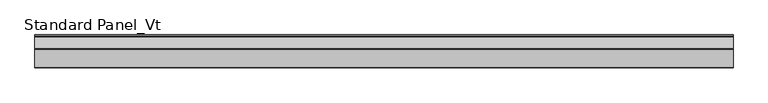
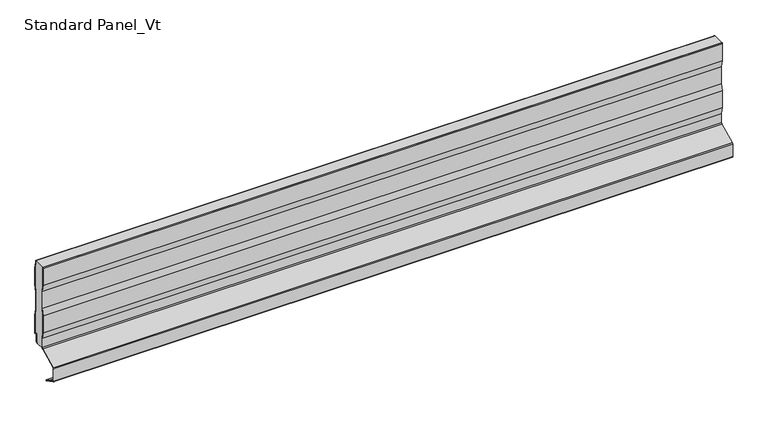
"""IFC4 building model written with IfcOpenShell, lengths in millimetres: proxy geometry, Standard Panel_Vt."""

from ifc_helpers import new_model, si_unit, point, frame, frame_2d, origin, place, context, project, spatial, polyline, circle_curve, trimmed, segment, composite_curve, outline, extrude, source, transform, mapped, element, save
from ifc_brep_helpers import plane_surface, cylinder_surface, revolved_surface, advanced_brep


def standard_panel_vt_59fe3f1f(model_context):
    return source(origin(), model_context, "Body", "SolidModel", [
        extrude(outline(composite_curve([segment(polyline([(-30.0, 216.59102), (-29.6446991, 218.7), (-28.8334256, 218.7), (-29.2, 216.5241033), (-29.2, 178.448892), (-26.7, 163.6094989), (-26.7, 125.3634964), (-29.2, 110.5241033), (-29.2, 72.448892), (-26.7, 57.6094989), (-26.7, 37.3959608)]), True, "CONTINUOUS"), segment(trimmed(circle_curve(frame_2d((-29.8, 37.3959608)), 3.1), [point((-26.7, 37.3959608))], [point((-28.4162325, 34.6219407))], False, "CARTESIAN"), True, "CONTINUOUS"), segment(polyline([(-28.4162325, 34.6219407), (-66.910808, 15.419649)]), True, "CONTINUOUS"), segment(trimmed(circle_curve(frame_2d((-66.241243, 14.0773812)), 1.5), [point((-66.910808, 15.419649))], [point((-67.741243, 14.0773812))], True, "CARTESIAN"), True, "CONTINUOUS"), segment(polyline([(-67.741243, 14.0773812), (-67.741243, -14.0773812)]), True, "CONTINUOUS"), segment(trimmed(circle_curve(frame_2d((-66.241243, -14.0773812)), 1.5), [point((-67.741243, -14.0773812))], [point((-66.9113932, -15.4193569))], True, "CARTESIAN"), True, "CONTINUOUS"), segment(polyline([(-66.9113932, -15.4193569), (-54.7640727, -21.4854346), (-54.4066593, -20.7697142), (-41.7026227, -27.1138024)]), True, "CONTINUOUS"), segment(trimmed(circle_curve(frame_2d((-42.0600361, -27.8295227)), 0.8), [point((-41.7026227, -27.1138024))], [point((-42.4174495, -28.5452431))], False, "CARTESIAN"), True, "CONTINUOUS"), segment(polyline([(-42.4174495, -28.5452431), (-67.2688066, -16.1350773)]), True, "CONTINUOUS"), segment(trimmed(circle_curve(frame_2d((-66.241243, -14.0773812)), 2.3), [point((-67.2688066, -16.1350773))], [point((-68.541243, -14.0773812))], False, "CARTESIAN"), True, "CONTINUOUS"), segment(polyline([(-68.541243, -14.0773812), (-68.541243, 14.0773812)]), True, "CONTINUOUS"), segment(trimmed(circle_curve(frame_2d((-66.241243, 14.0773812)), 2.3), [point((-68.541243, 14.0773812))], [point((-67.2679093, 16.1355252))], False, "CARTESIAN"), True, "CONTINUOUS"), segment(polyline([(-67.2679093, 16.1355252), (-28.7733338, 35.3378168)]), True, "CONTINUOUS"), segment(trimmed(circle_curve(frame_2d((-29.8, 37.3959608)), 2.3), [point((-28.7733338, 35.3378168))], [point((-27.5, 37.3959608))], True, "CARTESIAN"), True, "CONTINUOUS"), segment(polyline([(-27.5, 37.3959608), (-27.5, 57.5425822), (-30.0, 72.3819753), (-30.0, 110.59102), (-27.5, 125.4304131), (-27.5, 163.5425822), (-30.0, 178.3819753), (-30.0, 216.59102)]), True, "CONTINUOUS")], self_intersect=False)), frame((-723.9042608, 0.0, 0.0), z_axis=(1.0, 0.0, 0.0), x_axis=(0.0, 1.0, 0.0)), (0.0, 0.0, 1.0), 1447.8085217),
        extrude(outline(composite_curve([segment(polyline([(-3.3, 215.5071471), (-3.3, 218.7), (-2.5, 218.7), (-2.5, 215.5733571), (0.0, 200.5733571), (0.0, 162.5733571), (-2.5, 147.5733571), (-2.5, 109.5733571), (0.0, 94.5733571), (0.0, 53.7672219)]), True, "CONTINUOUS"), segment(trimmed(circle_curve(frame_2d((-1.0, 53.7672219)), 1.0), [point((0.0, 53.7672219))], [point((-1.5443119, 52.928339))], False, "CARTESIAN"), True, "CONTINUOUS"), segment(polyline([(-1.5443119, 52.928339), (-3.7558601, 54.3633094)]), True, "CONTINUOUS"), segment(trimmed(circle_curve(frame_2d((-4.3001721, 53.5244265)), 1.0), [point((-3.7558601, 54.3633094))], [point((-5.3001721, 53.5244265))], True, "CARTESIAN"), True, "CONTINUOUS"), segment(polyline([(-5.3001721, 53.5244265), (-5.3001721, 37.9383564)]), True, "CONTINUOUS"), segment(trimmed(circle_curve(frame_2d((-7.4001714, 37.9383564)), 2.0999993), [point((-5.3001721, 37.9383564))], [point((-7.4001714, 35.8383571))], False, "CARTESIAN"), True, "CONTINUOUS"), segment(polyline([(-7.4001714, 35.8383571), (-9.4001722, 35.8383571), (-9.4001722, 36.6383571), (-7.4001714, 36.6383571)]), True, "CONTINUOUS"), segment(trimmed(circle_curve(frame_2d((-7.4001714, 37.9383564)), 1.2999993), [point((-7.4001714, 36.6383571))], [point((-6.1001721, 37.9383564))], True, "CARTESIAN"), True, "CONTINUOUS"), segment(polyline([(-6.1001721, 37.9383564), (-6.1001721, 53.5244265)]), True, "CONTINUOUS"), segment(trimmed(circle_curve(frame_2d((-4.3001721, 53.5244265)), 1.8), [point((-6.1001721, 53.5244265))], [point((-3.3204106, 55.0344157))], False, "CARTESIAN"), True, "CONTINUOUS"), segment(polyline([(-3.3204106, 55.0344157), (-0.8, 53.3990389), (-0.8, 94.5071471), (-3.3, 109.5071471), (-3.3, 147.6395671), (-0.8, 162.6395671), (-0.8, 200.5071471), (-3.3, 215.5071471)]), True, "CONTINUOUS")], self_intersect=False)), frame((-723.9042608, 0.0, 0.0), z_axis=(1.0, 0.0, 0.0), x_axis=(0.0, 1.0, 0.0)), (0.0, 0.0, 1.0), 1447.8085217),
        advanced_brep(
        [(-723.9042608, -29.2, 216.5241033), (-723.9042608, -28.8334256, 218.7), (-723.9042608, -3.3, 218.7), (-723.9042608, -3.3, 215.5071471), (-723.9042608, -0.8, 200.5071471), (-723.9042608, -0.8, 162.6395671), (-723.9042608, -3.3, 147.6395671), (-723.9042608, -3.3, 109.5071471), (-723.9042608, -0.8, 94.5071471), (-723.9042608, -0.8, 53.3990389), (-723.9042608, -3.3204106, 55.0344157), (-723.9042608, -6.1001721, 53.5244265), (-723.9042608, -6.1001721, 37.9383564), (-723.9042608, -7.4001714, 36.6383571), (-723.9042608, -9.4001722, 36.6383571), (-723.9042608, -9.4001722, 35.8), (-723.9042608, -27.1622719, 35.7673446), (-723.9042608, -26.7, 37.3959608), (-723.9042608, -26.7, 57.6094989), (-723.9042608, -29.2, 72.448892), (-723.9042608, -29.2, 110.5241033), (-723.9042608, -26.7, 125.3634964), (-723.9042608, -26.7, 163.6094989), (-723.9042608, -29.2, 178.448892), (723.9042608, -27.1622719, 35.7673446), (723.9042608, -9.4001722, 35.8), (723.9042608, -9.4001722, 36.6383571), (723.9042608, -7.4001714, 36.6383571), (723.9042608, -6.1001721, 37.9383564), (723.9042608, -6.1001721, 53.5244265), (723.9042608, -3.3204106, 55.0344157), (723.9042608, -0.8, 53.3990389), (723.9042608, -0.8, 94.5071471), (723.9042608, -3.3, 109.5071471), (723.9042608, -3.3, 147.6395671), (723.9042608, -0.8, 162.6395671), (723.9042608, -0.8, 200.5071471), (723.9042608, -3.3, 215.5071471), (723.9042608, -3.3, 218.7), (723.9042608, -28.8334256, 218.7), (723.9042608, -29.2, 216.5241033), (723.9042608, -29.2, 178.448892), (723.9042608, -26.7, 163.6094989), (723.9042608, -26.7, 125.3634964), (723.9042608, -29.2, 110.5241033), (723.9042608, -29.2, 72.448892), (723.9042608, -26.7, 57.6094989), (723.9042608, -26.7, 37.3959608)],
        [
            (0, 1),
            (1, 2),
            (2, 3),
            (3, 4),
            (4, 5),
            (5, 6),
            (6, 7),
            (7, 8),
            (8, 9),
            (9, 10),
            (10, 11, circle_curve(frame((-723.9042608, -4.3001721, 53.5244265), z_axis=(1.0, 0.0, 0.0), x_axis=(0.0, 0.0, 1.0)), 1.8)),
            (11, 12),
            (12, 13, circle_curve(frame((-723.9042608, -7.4001714, 37.9383564), z_axis=(-1.0, 0.0, 0.0), x_axis=(0.0, 0.0, 1.0)), 1.2999993)),
            (13, 14),
            (14, 15),
            (15, 16),
            (16, 17, circle_curve(frame((-723.9042608, -29.8, 37.3959608), z_axis=(1.0, 0.0, 0.0), x_axis=(0.0, 0.0, 1.0)), 3.1)),
            (17, 18),
            (18, 19),
            (19, 20),
            (20, 21),
            (21, 22),
            (22, 23),
            (23, 0),
            (24, 25),
            (25, 26),
            (26, 27),
            (27, 28, circle_curve(frame((723.9042608, -7.4001714, 37.9383564), z_axis=(1.0, 0.0, 0.0), x_axis=(0.0, 0.0, 1.0)), 1.2999993)),
            (28, 29),
            (29, 30, circle_curve(frame((723.9042608, -4.3001721, 53.5244265), z_axis=(-1.0, 0.0, 0.0), x_axis=(0.0, 0.0, 1.0)), 1.8)),
            (30, 31),
            (31, 32),
            (32, 33),
            (33, 34),
            (34, 35),
            (35, 36),
            (36, 37),
            (37, 38),
            (38, 39),
            (39, 40),
            (40, 41),
            (41, 42),
            (42, 43),
            (43, 44),
            (44, 45),
            (45, 46),
            (46, 47),
            (47, 24, circle_curve(frame((723.9042608, -29.8, 37.3959608), z_axis=(-1.0, 0.0, 0.0), x_axis=(0.0, 0.0, 1.0)), 3.1)),
            (15, 25),
            (24, 16),
            (47, 17),
            (46, 18),
            (45, 19),
            (44, 20),
            (43, 21),
            (42, 22),
            (41, 23),
            (40, 0),
            (39, 1),
            (14, 26),
            (2, 38),
            (37, 3),
            (36, 4),
            (35, 5),
            (34, 6),
            (33, 7),
            (32, 8),
            (31, 9),
            (30, 10),
            (29, 11),
            (28, 12),
            (27, 13),
        ],
        [
            plane_surface(frame((-723.9042608, -29.2, 500.0), z_axis=(-1.0, 0.0, 0.0), x_axis=(0.0, 1.0, 0.0))),
            plane_surface(frame((723.9042608, -29.2, 500.0), z_axis=(1.0, 0.0, 0.0), x_axis=(0.0, 1.0, 0.0))),
            plane_surface(frame((-723.9042608, -27.1622719, 35.7673446), z_axis=(0.0, 0.0, -1.0), x_axis=(1.0, 0.0, 0.0))),
            revolved_surface(polyline([(723.9042608, -29.8, 40.4959608), (-723.9042608, -29.8, 40.4959608)]), (-723.9042608, -29.8, 37.3959608), (1.0, 0.0, 0.0)),
            plane_surface(frame((-723.9042608, -26.7, 57.6094989), z_axis=(0.0, -1.0, 0.0), x_axis=(1.0, 0.0, 0.0))),
            plane_surface(frame((-723.9042608, -29.2, 72.448892), z_axis=(0.0, -0.9861039564577467, -0.16612942863435845), x_axis=(1.0, 0.0, 0.0))),
            plane_surface(frame((-723.9042608, -29.2, 110.5241033), z_axis=(0.0, -1.0, 0.0), x_axis=(1.0, 0.0, 0.0))),
            plane_surface(frame((-723.9042608, -26.7, 125.3634964), z_axis=(0.0, -0.9861039564577161, 0.1661294286345407), x_axis=(1.0, 0.0, 0.0))),
            plane_surface(frame((-723.9042608, -26.7, 163.6094989), z_axis=(0.0, -1.0, 0.0), x_axis=(1.0, 0.0, 0.0))),
            plane_surface(frame((-723.9042608, -29.2, 178.448892), z_axis=(0.0, -0.986103956457719, -0.16612942863452348), x_axis=(1.0, 0.0, 0.0))),
            plane_surface(frame((-723.9042608, -29.2, 216.5241033), z_axis=(0.0, -1.0, 0.0), x_axis=(1.0, 0.0, 0.0))),
            plane_surface(frame((-723.9042608, -26.7, 231.3634964), z_axis=(0.0, -0.9861039564577161, 0.1661294286345407), x_axis=(1.0, 0.0, 0.0))),
            plane_surface(frame((723.9042608, -9.4001722, 1035.8), z_axis=(0.0, 1.0, 0.0), x_axis=(-1.0, 0.0, 0.0))),
            plane_surface(frame((-723.9042608, -3.3, 215.5071471), z_axis=(0.0, 1.0, 0.0), x_axis=(1.0, 0.0, 0.0))),
            plane_surface(frame((-723.9042608, -0.8, 200.5071471), z_axis=(0.0, 0.9863939238321462, 0.1643989873053435), x_axis=(1.0, 0.0, 0.0))),
            plane_surface(frame((-723.9042608, -0.8, 162.6395671), z_axis=(0.0, 1.0, 0.0), x_axis=(1.0, 0.0, 0.0))),
            plane_surface(frame((-723.9042608, -3.3, 147.6395671), z_axis=(0.0, 0.9863939238321415, -0.16439898730537109), x_axis=(1.0, 0.0, 0.0))),
            plane_surface(frame((-723.9042608, -3.3, 109.5071471), z_axis=(0.0, 1.0, 0.0), x_axis=(1.0, 0.0, 0.0))),
            plane_surface(frame((-723.9042608, -0.8, 94.5071471), z_axis=(0.0, 0.9863939238321769, 0.16439898730515876), x_axis=(1.0, 0.0, 0.0))),
            plane_surface(frame((-723.9042608, -0.8, 53.3990389), z_axis=(0.0, 1.0, 0.0), x_axis=(1.0, 0.0, 0.0))),
            plane_surface(frame((-723.9042608, -3.3204106, 55.0344157), z_axis=(0.0, -0.5443119480359504, -0.8388828900539747), x_axis=(1.0, 0.0, 0.0))),
            revolved_surface(polyline([(723.9042608, -4.3001721, 55.324426499999994), (-723.9042608, -4.3001721, 55.324426499999994)]), (-723.9042608, -4.3001721, 53.5244265), (1.0, 0.0, 0.0)),
            plane_surface(frame((-723.9042608, -6.1001721, 37.9383564), z_axis=(0.0, 1.0, 0.0), x_axis=(1.0, 0.0, 0.0))),
            cylinder_surface(frame((-723.9042608, -7.4001714, 37.9383564), z_axis=(-1.0, 0.0, 0.0), x_axis=(0.0, 0.0, 1.0)), 1.2999993),
            plane_surface(frame((-723.9042608, -9.4001722, 36.6383571), z_axis=(0.0, 0.0, -1.0), x_axis=(1.0, 0.0, 0.0))),
            plane_surface(frame((723.9042608, 49.2, 218.7), z_axis=(0.0, 0.0, 1.0), x_axis=(-1.0, 0.0, 0.0))),
        ],
        [
            (0, [[1, 2, 3, 4, 5, 6, 7, 8, 9, 10, 11, 12, 13, 14, 15, 16, 17, 18, 19, 20, 21, 22, 23, 24]]),
            (1, [[25, 26, 27, 28, 29, 30, 31, 32, 33, 34, 35, 36, 37, 38, 39, 40, 41, 42, 43, 44, 45, 46, 47, 48]]),
            (2, [[-16, 49, -25, 50]]),
            (3, [[-50, -48, 51, -17]]),
            (4, [[-51, -47, 52, -18]]),
            (5, [[-52, -46, 53, -19]]),
            (6, [[-53, -45, 54, -20]]),
            (7, [[-54, -44, 55, -21]]),
            (8, [[-55, -43, 56, -22]]),
            (9, [[-56, -42, 57, -23]]),
            (10, [[-57, -41, 58, -24]]),
            (11, [[-40, 59, -1, -58]]),
            (12, [[-15, 60, -26, -49]]),
            (13, [[-3, 61, -38, 62]]),
            (14, [[-62, -37, 63, -4]]),
            (15, [[-63, -36, 64, -5]]),
            (16, [[-64, -35, 65, -6]]),
            (17, [[-65, -34, 66, -7]]),
            (18, [[-66, -33, 67, -8]]),
            (19, [[-67, -32, 68, -9]]),
            (20, [[-68, -31, 69, -10]]),
            (21, [[-69, -30, 70, -11]]),
            (22, [[-70, -29, 71, -12]]),
            (23, [[-71, -28, 72, -13]]),
            (24, [[-72, -27, -60, -14]]),
            (25, [[-59, -39, -61, -2]]),
        ],
    ),
    ])


if __name__ == "__main__":
    model = new_model("IFC4")
    model_context = context("Model", 3, world=origin())
    ifc_project = project(units=[si_unit("LENGTHUNIT", "METRE", prefix="MILLI")], contexts=[model_context])
    site = spatial("IfcSite", under=ifc_project)
    building = spatial("IfcBuilding", under=site)
    placement = place(None, origin())
    standard_panel_vt_shape = standard_panel_vt_59fe3f1f(model_context)
    element("IfcBuildingElementProxy", 1, Name="Standard Panel_Vt", ObjectType="Standard Panel_Vt", at=placement, inside=building, context=model_context, shape_type="MappedRepresentation", body=[
        mapped(standard_panel_vt_shape, transform((0.0, 0.0, 0.0), x_axis=(1.0, 0.0, 0.0), y_axis=(0.0, 1.0, 0.0), z_axis=(0.0, 0.0, 1.0))),
    ])
    save(model, "model.ifc")
